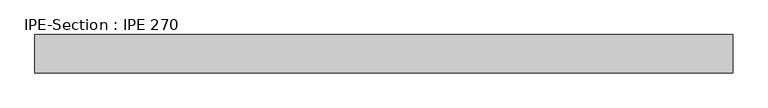
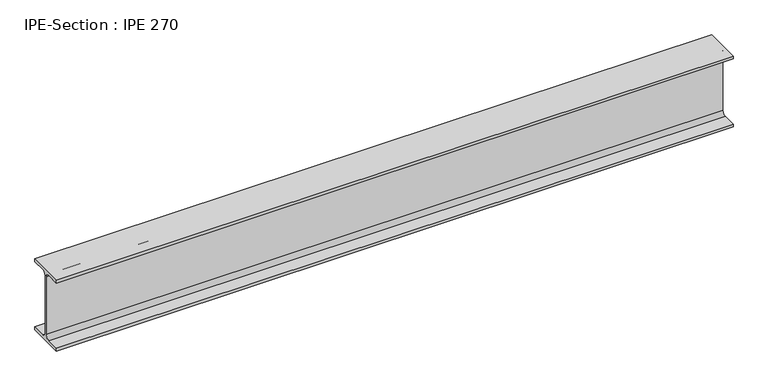
"""IFC4 building model written with IfcOpenShell, lengths in millimetres: beam geometry, IPE-Section : IPE 270."""

from ifc_helpers import new_model, si_unit, point, frame, frame_2d, origin, place, context, project, spatial, polyline, circle_curve, trimmed, segment, composite_curve, outline, extrude, source, transform, mapped, element, save


def ipe_section_ipe_270_3b2d6c9b(model_context):
    return source(origin(), model_context, "Body", "SweptSolid", [
        extrude(outline(composite_curve([segment(polyline([(67.5, -124.8), (67.5, -135.0), (-67.5, -135.0), (-67.5, -124.8), (-18.3, -124.8)]), True, "CONTINUOUS"), segment(trimmed(circle_curve(frame_2d((-18.3, -109.8)), 15.0), [point((-18.3, -124.8))], [point((-3.3, -109.8))], True, "CARTESIAN"), True, "CONTINUOUS"), segment(polyline([(-3.3, -109.8), (-3.3, 109.8)]), True, "CONTINUOUS"), segment(trimmed(circle_curve(frame_2d((-18.3, 109.8)), 15.0), [point((-3.3, 109.8))], [point((-18.3, 124.8))], True, "CARTESIAN"), True, "CONTINUOUS"), segment(polyline([(-18.3, 124.8), (-67.5, 124.8), (-67.5, 135.0), (67.5, 135.0), (67.5, 124.8), (18.3, 124.8)]), True, "CONTINUOUS"), segment(trimmed(circle_curve(frame_2d((18.3, 109.8)), 15.0), [point((18.3, 124.8))], [point((3.3, 109.8))], True, "CARTESIAN"), True, "CONTINUOUS"), segment(polyline([(3.3, 109.8), (3.3, -109.8)]), True, "CONTINUOUS"), segment(trimmed(circle_curve(frame_2d((18.3, -109.8)), 15.0), [point((3.3, -109.8))], [point((18.3, -124.8))], True, "CARTESIAN"), True, "CONTINUOUS"), segment(polyline([(18.3, -124.8), (67.5, -124.8)]), True, "CONTINUOUS")], self_intersect=False)), frame((-1223.55, 0.0, 0.0), z_axis=(1.0, 0.0, 0.0), x_axis=(0.0, 1.0, 0.0)), (0.0, 0.0, 1.0), 2447.1),
    ])


if __name__ == "__main__":
    model = new_model("IFC4")
    model_context = context("Model", 3, world=origin())
    ifc_project = project(units=[si_unit("LENGTHUNIT", "METRE", prefix="MILLI")], contexts=[model_context])
    site = spatial("IfcSite", under=ifc_project)
    building = spatial("IfcBuilding", under=site)
    placement = place(None, origin())
    ipe_section_ipe_270_shape = ipe_section_ipe_270_3b2d6c9b(model_context)
    element("IfcBeam", 1, ObjectType="IPE-Section : IPE 270", at=placement, inside=building, context=model_context, shape_type="MappedRepresentation", body=[
        mapped(ipe_section_ipe_270_shape, transform((0.0, 0.0, 0.0), x_axis=(1.0, 0.0, 0.0), y_axis=(0.0, 1.0, 0.0), z_axis=(0.0, 0.0, 1.0))),
    ])
    save(model, "model.ifc")
